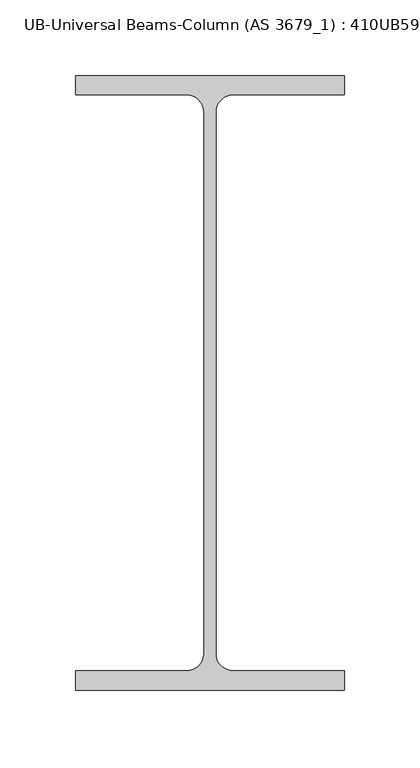
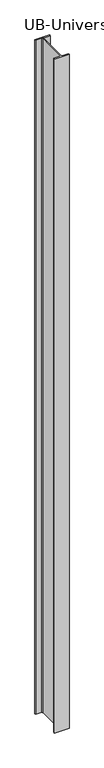
"""IFC4 building model written with IfcOpenShell, lengths in millimetres: column geometry, UB-Universal Beams-Column (AS 3679_1) : 410UB59.7."""

from ifc_helpers import new_model, si_unit, point, frame, frame_2d, origin, place, context, project, spatial, polyline, circle_curve, trimmed, segment, composite_curve, outline, extrude, source, transform, mapped, element, save


def ub_universal_beams_column_as_3679_1_410ub59_7_9db8bc3b(model_context):
    return source(origin(), model_context, "Body", "SweptSolid", [
        extrude(outline(composite_curve([segment(polyline([(89.0, 203.2), (89.0, 190.4), (15.3, 190.4)]), True, "CONTINUOUS"), segment(trimmed(circle_curve(frame_2d((15.3, 179.0)), 11.4), [point((15.3, 190.4))], [point((3.9, 179.0))], True, "CARTESIAN"), True, "CONTINUOUS"), segment(polyline([(3.9, 179.0), (3.9, -179.0)]), True, "CONTINUOUS"), segment(trimmed(circle_curve(frame_2d((15.3, -179.0)), 11.4), [point((3.9, -179.0))], [point((15.3, -190.4))], True, "CARTESIAN"), True, "CONTINUOUS"), segment(polyline([(15.3, -190.4), (89.0, -190.4), (89.0, -203.2), (-89.0, -203.2), (-89.0, -190.4), (-15.3, -190.4)]), True, "CONTINUOUS"), segment(trimmed(circle_curve(frame_2d((-15.3, -179.0)), 11.4), [point((-15.3, -190.4))], [point((-3.9, -179.0))], True, "CARTESIAN"), True, "CONTINUOUS"), segment(polyline([(-3.9, -179.0), (-3.9, 179.0)]), True, "CONTINUOUS"), segment(trimmed(circle_curve(frame_2d((-15.3, 179.0)), 11.4), [point((-3.9, 179.0))], [point((-15.3, 190.4))], True, "CARTESIAN"), True, "CONTINUOUS"), segment(polyline([(-15.3, 190.4), (-89.0, 190.4), (-89.0, 203.2), (89.0, 203.2)]), True, "CONTINUOUS")], self_intersect=False)), frame((0.0, 0.0, -180.0), z_axis=(0.0, 0.0, 1.0), x_axis=(1.0, 0.0, 0.0)), (0.0, 0.0, 1.0), 8619.0),
    ])


if __name__ == "__main__":
    model = new_model("IFC4")
    model_context = context("Model", 3, world=origin())
    ifc_project = project(units=[si_unit("LENGTHUNIT", "METRE", prefix="MILLI")], contexts=[model_context])
    site = spatial("IfcSite", under=ifc_project)
    building = spatial("IfcBuilding", under=site)
    placement = place(None, origin())
    ub_universal_beams_column_as_3679_1_410ub59_7_shape = ub_universal_beams_column_as_3679_1_410ub59_7_9db8bc3b(model_context)
    element("IfcColumn", 1, ObjectType="UB-Universal Beams-Column (AS 3679_1) : 410UB59.7", at=placement, inside=building, context=model_context, shape_type="MappedRepresentation", body=[
        mapped(ub_universal_beams_column_as_3679_1_410ub59_7_shape, transform((0.0, 0.0, 0.0), x_axis=(1.0, 0.0, 0.0), y_axis=(0.0, 1.0, 0.0), z_axis=(0.0, 0.0, 1.0))),
    ])
    save(model, "model.ifc")
